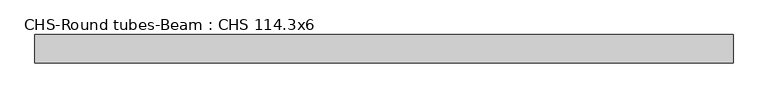
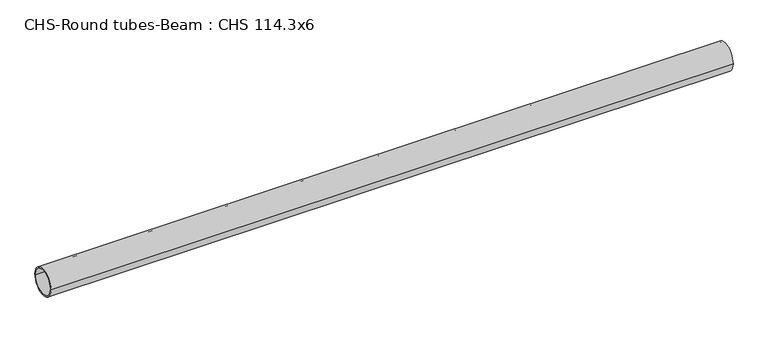
"""IFC4 building model written with IfcOpenShell, lengths in millimetres: beam geometry, CHS-Round tubes-Beam : CHS 114.3x6."""

from ifc_helpers import new_model, si_unit, point, frame, origin, origin_2d, place, context, project, spatial, circle_curve, trimmed, segment, composite_curve, outline, extrude, source, transform, mapped, element, save


def chs_round_tubes_beam_chs_114_3x6_a2c62003(model_context):
    return source(origin(), model_context, "Body", "SweptSolid", [
        extrude(outline(composite_curve([segment(trimmed(circle_curve(origin_2d(), 57.15), [point((57.15, 0.0))], [point((-57.15, 0.0))], False, "CARTESIAN"), True, "CONTINUOUS"), segment(trimmed(circle_curve(origin_2d(), 57.15), [point((-57.15, 0.0))], [point((57.15, 0.0))], False, "CARTESIAN"), True, "CONTINUOUS")], self_intersect=False), holes=[composite_curve([segment(trimmed(circle_curve(origin_2d(), 51.15), [point((51.15, 0.0))], [point((-51.15, 0.0))], True, "CARTESIAN"), True, "CONTINUOUS"), segment(trimmed(circle_curve(origin_2d(), 51.15), [point((-51.15, 0.0))], [point((51.15, 0.0))], True, "CARTESIAN"), True, "CONTINUOUS")], self_intersect=False)]), frame((-1405.4559304, 0.0, 0.0), z_axis=(1.0, 0.0, 0.0), x_axis=(0.0, 1.0, 0.0)), (0.0, 0.0, 1.0), 2814.3020773),
    ])


if __name__ == "__main__":
    model = new_model("IFC4")
    model_context = context("Model", 3, world=origin())
    ifc_project = project(units=[si_unit("LENGTHUNIT", "METRE", prefix="MILLI")], contexts=[model_context])
    site = spatial("IfcSite", under=ifc_project)
    building = spatial("IfcBuilding", under=site)
    placement = place(None, origin())
    chs_round_tubes_beam_chs_114_3x6_shape = chs_round_tubes_beam_chs_114_3x6_a2c62003(model_context)
    element("IfcBeam", 1, ObjectType="CHS-Round tubes-Beam : CHS 114.3x6", at=placement, inside=building, context=model_context, shape_type="MappedRepresentation", body=[
        mapped(chs_round_tubes_beam_chs_114_3x6_shape, transform((0.0, 0.0, 0.0), x_axis=(1.0, 0.0, 0.0), y_axis=(0.0, 1.0, 0.0), z_axis=(0.0, 0.0, 1.0))),
    ])
    save(model, "model.ifc")
